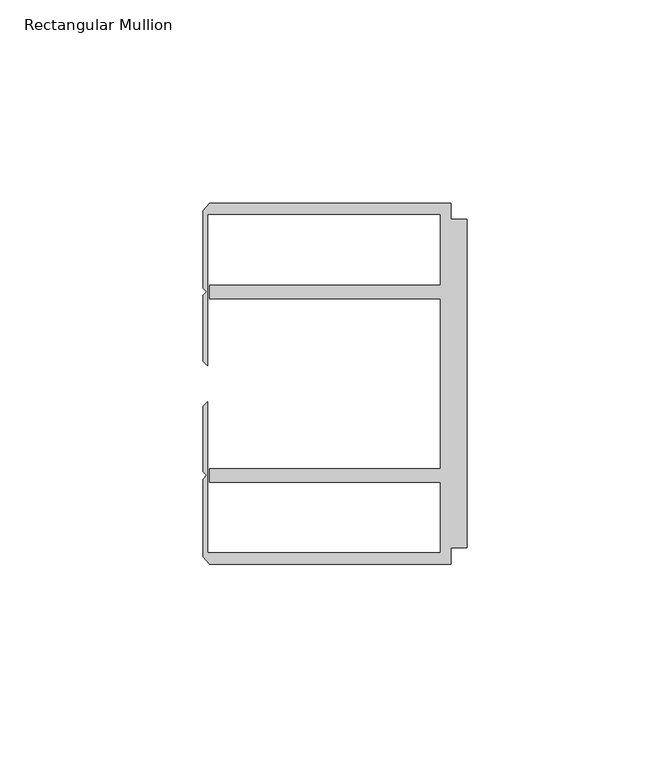
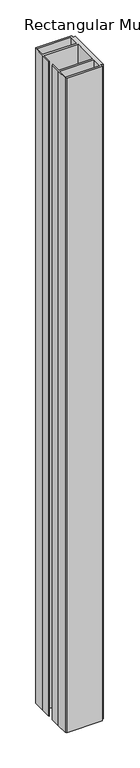
"""IFC4 building model written with IfcOpenShell, lengths in millimetres: member geometry, Rectangular Mullion."""

from ifc_helpers import new_model, si_unit, frame, origin, place, context, project, spatial, polyline, outline, extrude, source, transform, mapped, element, save


def rectangular_mullion_624e9105(model_context):
    return source(origin(), model_context, "Body", "SweptSolid", [
        extrude(outline(polyline([(-4.0000001, 44.45), (-4.0000001, 40.4500013), (0.0, 40.4500013), (0.0, -40.4500013), (-4.0000001, -40.4500013), (-4.0000001, -44.45), (-63.5, -44.45), (-65.0875, -42.5778955), (-65.0875, -23.53206), (-64.1791674, -22.6237274), (-65.0875, -21.7153948), (-65.0875, -5.55625), (-63.9424102, -4.4111602), (-63.9424102, -41.6500013), (-6.6000002, -41.6500013), (-6.6000002, -24.2500008), (-63.5, -24.2500008), (-63.5, -20.9500007), (-6.6000002, -20.9500007), (-6.6000002, 20.9500007), (-63.5, 20.9500007), (-63.5, 24.2500008), (-6.6000002, 24.2500008), (-6.6000002, 41.6500013), (-63.9424102, 41.6500013), (-63.9424102, 4.4111602), (-65.0875, 5.55625), (-65.0875, 21.7153948), (-64.1791674, 22.6237274), (-65.0875, 23.53206), (-65.0875, 42.5778955), (-63.5, 44.45), (-4.0000001, 44.45)])), frame((0.0, 0.0, -1154.1125), z_axis=(0.0, 0.0, 1.0), x_axis=(1.0, 0.0, 0.0)), (0.0, 0.0, 1.0), 1154.1125),
    ])


if __name__ == "__main__":
    model = new_model("IFC4")
    model_context = context("Model", 3, world=origin())
    ifc_project = project(units=[si_unit("LENGTHUNIT", "METRE", prefix="MILLI")], contexts=[model_context])
    site = spatial("IfcSite", under=ifc_project)
    building = spatial("IfcBuilding", under=site)
    placement = place(None, origin())
    rectangular_mullion_shape = rectangular_mullion_624e9105(model_context)
    element("IfcMember", 1, ObjectType="Rectangular Mullion", at=placement, inside=building, context=model_context, shape_type="MappedRepresentation", body=[
        mapped(rectangular_mullion_shape, transform((0.0, 0.0, 0.0), x_axis=(1.0, 0.0, 0.0), y_axis=(0.0, 1.0, 0.0), z_axis=(0.0, 0.0, 1.0))),
    ])
    save(model, "model.ifc")
